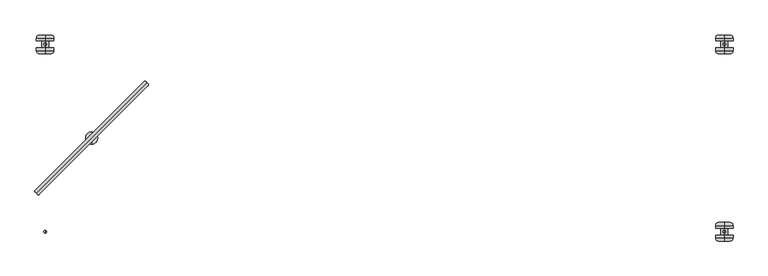
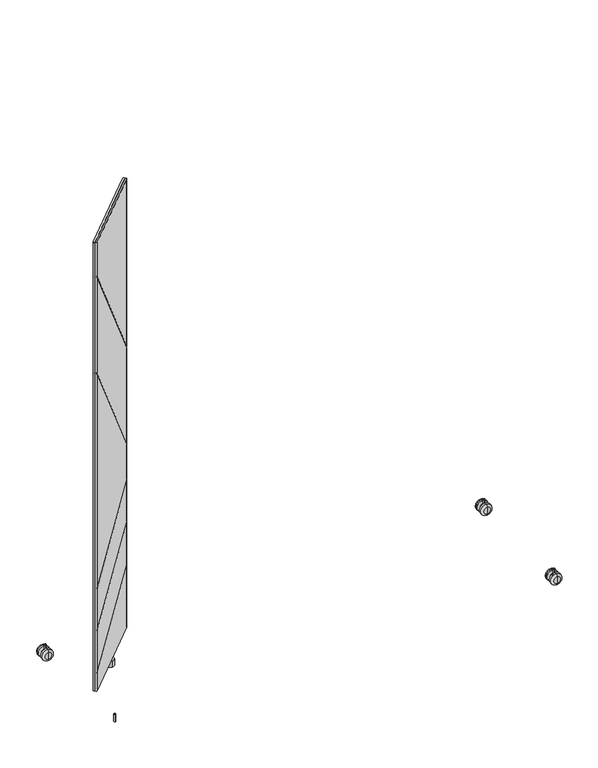
"""IFC4 building model written with IfcOpenShell, lengths in millimetres: furniture geometry."""

from ifc_helpers import new_model, si_unit, point, frame, origin, place, context, project, spatial, circle_curve, ellipse_curve, trimmed, source, transform, mapped, element, save
from ifc_brep_helpers import plane_surface, cylinder_surface, revolved_surface, advanced_brep


def furniture_226b77b0(model_context):
    return source(origin(), model_context, "Body", "AdvancedBrep", [
        advanced_brep(
        [(-710.9194656, -183.0476726, 1580.8579983), (-488.9555853, 39.0094149, 1580.8579983), (-493.1712839, 43.2234083, 1580.8579983), (-715.18304, -178.7849606, 1580.8579983), (-710.9194656, -183.0476726, 80.7339983), (-715.18304, -178.7849606, 80.7339983), (-493.1712839, 43.2234083, 80.7339983), (-488.9555853, 39.0094149, 80.7339983), (-715.18304, -178.7849606, 1465.6098628), (-715.6869022, -182.380027, 1469.7173437), (-715.6869022, -182.380027, 1464.166375), (-715.18304, -178.7849606, 1460.0588941), (-715.18304, -178.7849606, 1141.5813803), (-715.6869022, -182.380027, 1145.6879231), (-715.6869022, -182.380027, 1140.1378008), (-715.18304, -178.7849606, 1136.031258), (-715.18304, -178.7849606, 427.6020429), (-715.6869022, -182.380027, 426.2337165), (-715.6869022, -182.380027, 422.694591), (-715.18304, -178.7849606, 424.0629174), (-715.18304, -178.7849606, 287.4388163), (-715.6869022, -182.380027, 286.0703439), (-715.6869022, -182.380027, 282.5311496), (-715.18304, -178.7849606, 283.899622), (-715.18304, -178.7849606, 147.2371613), (-715.6869022, -182.380027, 145.8687302), (-715.6869022, -182.380027, 142.3295554), (-715.18304, -178.7849606, 143.6979865), (-493.1712839, 43.2234083, 1020.6632991), (-493.1712839, 43.2234083, 291.9345147), (-493.1712839, 43.2234083, 1015.1123304), (-493.1712839, 43.2234083, 696.7364411), (-493.1712839, 43.2234083, 691.1863188), (-493.1712839, 43.2234083, 575.8272317), (-493.1712839, 43.2234083, 572.2881062), (-493.1712839, 43.2234083, 435.6798128), (-493.1712839, 43.2234083, 432.1406185), (-493.1712839, 43.2234083, 295.4736895), (-489.6477388, 43.6591364, 293.2563217), (-489.6477388, 43.6591364, 296.7954965), (-489.6477388, 43.6591364, 433.4624654), (-489.6477388, 43.6591364, 437.0016597), (-489.6477388, 43.6591364, 573.6098121), (-489.6477388, 43.6591364, 577.1489377), (-489.6477388, 43.6591364, 687.2196908), (-489.6477388, 43.6591364, 692.7698131), (-489.6477388, 43.6591364, 1011.1447962), (-489.6477388, 43.6591364, 1016.6957649)],
        [
            (0, 1),
            (1, 2, circle_curve(frame((-491.1155655, 41.0642596, 1580.8579983), z_axis=(0.0, 0.0, 1.0), x_axis=(0.6892541380737184, 0.724519656840486, 0.0)), 2.9812584)),
            (2, 3),
            (3, 0, circle_curve(frame((-713.0514846, -180.9165485, 1580.8579983), z_axis=(0.0, 0.0, 1.0), x_axis=(-0.7071121751659861, -0.7071013871659622, 0.0)), 3.0144975)),
            (4, 5, circle_curve(frame((-713.0514846, -180.9165485, 80.7339983), z_axis=(0.0, 0.0, -1.0), x_axis=(-0.7071121751659861, -0.7071013871659622, 0.0)), 3.0144975)),
            (5, 6),
            (6, 7, circle_curve(frame((-491.1155655, 41.0642596, 80.7339983), z_axis=(0.0, 0.0, -1.0), x_axis=(0.6892541380737184, 0.724519656840486, 0.0)), 2.9812584)),
            (7, 4),
            (3, 8),
            (8, 9, ellipse_curve(frame((-713.0514846, -180.9165485, 1465.6098953), z_axis=(0.577750975804524, 0.5777509758045234, 0.576548020475174), x_axis=(-0.40768101495767617, -0.4076810149576757, 0.817063265657047)), 5.2285281, 3.0144975)),
            (9, 10),
            (10, 11, ellipse_curve(frame((-713.0514846, -180.9165485, 1460.0589267), z_axis=(-0.577750975804524, -0.5777509758045234, -0.576548020475174), x_axis=(-0.40768101495767617, -0.4076810149576757, 0.817063265657047)), 5.2285281, 3.0144975)),
            (11, 12),
            (12, 13, ellipse_curve(frame((-713.0514846, -180.9165485, 1141.5814129), z_axis=(0.5777071023563686, 0.577707102356368, 0.576635940411294), x_axis=(-0.4077431837407081, -0.4077431837407078, 0.8170012192316377)), 5.2277309, 3.0144975)),
            (13, 14),
            (14, 15, ellipse_curve(frame((-713.0514846, -180.9165485, 1136.0312905), z_axis=(-0.5777071023563686, -0.5777071023563679, -0.5766359404112942), x_axis=(-0.40774318374070834, -0.40774318374070784, 0.8170012192316375)), 5.2277309, 3.0144975)),
            (15, 16),
            (16, 17, ellipse_curve(frame((-713.0514846, -180.9165485, 427.6020321), z_axis=(-0.3018753516577264, -0.3018753516577261, 0.9042911832607062), x_axis=(0.6394304278508526, 0.6394304278508519, 0.42691621646050404)), 3.3335474, 3.0144975)),
            (17, 18),
            (18, 19, ellipse_curve(frame((-713.0514846, -180.9165485, 424.0629066), z_axis=(0.3018753516577265, 0.30187535165772633, -0.9042911832607061), x_axis=(0.6394304278508526, 0.6394304278508522, 0.4269162164605042)), 3.3335474, 3.0144975)),
            (19, 20),
            (20, 21, ellipse_curve(frame((-713.0514846, -180.9165485, 287.4388054), z_axis=(-0.3019016772725295, -0.3019016772725292, 0.9042736060065379), x_axis=(0.6394179988552356, 0.6394179988552351, 0.4269534465019956)), 3.3336122, 3.0144975)),
            (21, 22),
            (22, 23, ellipse_curve(frame((-713.0514846, -180.9165485, 283.8996111), z_axis=(0.3019016772725295, 0.30190167727252887, -0.9042736060065379), x_axis=(0.639417998855236, 0.6394179988552348, 0.42695344650199585)), 3.3336122, 3.0144975)),
            (23, 24),
            (24, 25, ellipse_curve(frame((-713.0514846, -180.9165485, 147.2371505), z_axis=(-0.30189423598003035, -0.30189423598003007, 0.9042785746461471), x_axis=(0.6394215122139965, 0.6394215122139959, 0.4269429229252227)), 3.3335939, 3.0144975)),
            (25, 26),
            (26, 27, ellipse_curve(frame((-713.0514846, -180.9165485, 143.6979756), z_axis=(0.30189423598002996, 0.3018942359800298, -0.9042785746461475), x_axis=(0.6394215122139967, 0.6394215122139962, 0.4269429229252216)), 3.3335939, 3.0144975)),
            (27, 5),
            (4, 0),
            (2, 28),
            (28, 8),
            (27, 29),
            (29, 6),
            (11, 30),
            (30, 31),
            (31, 12),
            (15, 32),
            (32, 33),
            (33, 16),
            (19, 34),
            (34, 35),
            (35, 20),
            (23, 36),
            (36, 37),
            (37, 24),
            (1, 7),
            (29, 38, ellipse_curve(frame((-491.1155655, 41.0642596, 291.8999843), z_axis=(0.30189423598002996, 0.3018942359800298, -0.9042785746461475), x_axis=(0.6394215122139967, 0.6394215122139962, 0.4269429229252216)), 3.2968362, 2.9812584)),
            (38, 39),
            (39, 37, ellipse_curve(frame((-491.1155655, 41.0642596, 295.4391592), z_axis=(-0.30189423598003035, -0.30189423598003007, 0.9042785746461471), x_axis=(0.6394215122139965, 0.6394215122139959, 0.4269429229252227)), 3.2968362, 2.9812584)),
            (36, 40, ellipse_curve(frame((-491.1155655, 41.0642596, 432.1060871), z_axis=(0.3019016772725295, 0.30190167727252887, -0.9042736060065379), x_axis=(0.639417998855236, 0.6394179988552348, 0.42695344650199585)), 3.2968543, 2.9812584)),
            (40, 41),
            (41, 35, ellipse_curve(frame((-491.1155655, 41.0642596, 435.6452814), z_axis=(-0.3019016772725295, -0.3019016772725292, 0.9042736060065379), x_axis=(0.6394179988552356, 0.6394179988552351, 0.4269534465019956)), 3.2968543, 2.9812584)),
            (34, 42, ellipse_curve(frame((-491.1155655, 41.0642596, 572.2535785), z_axis=(0.3018753516577265, 0.30187535165772633, -0.9042911832607061), x_axis=(0.6394304278508526, 0.6394304278508522, 0.4269162164605042)), 3.2967902, 2.9812584)),
            (42, 43),
            (43, 33, ellipse_curve(frame((-491.1155655, 41.0642596, 575.7927041), z_axis=(-0.3018753516577264, -0.3018753516577261, 0.9042911832607062), x_axis=(0.6394304278508526, 0.6394304278508519, 0.42691621646050404)), 3.2967902, 2.9812584)),
            (32, 44, ellipse_curve(frame((-491.1155655, 41.0642596, 691.2899413), z_axis=(-0.5777071023563686, -0.5777071023563679, -0.5766359404112942), x_axis=(-0.40774318374070834, -0.40774318374070784, 0.8170012192316375)), 5.1700876, 2.9812584)),
            (44, 45),
            (45, 31, ellipse_curve(frame((-491.1155655, 41.0642596, 696.8400637), z_axis=(0.5777071023563686, 0.577707102356368, 0.576635940411294), x_axis=(-0.4077431837407081, -0.4077431837407078, 0.8170012192316377)), 5.1700876, 2.9812584)),
            (30, 46, ellipse_curve(frame((-491.1155655, 41.0642596, 1015.2159766), z_axis=(-0.577750975804524, -0.5777509758045234, -0.576548020475174), x_axis=(-0.40768101495767617, -0.4076810149576757, 0.817063265657047)), 5.1708761, 2.9812584)),
            (46, 47),
            (47, 28, ellipse_curve(frame((-491.1155655, 41.0642596, 1020.7669453), z_axis=(0.577750975804524, 0.5777509758045234, 0.576548020475174), x_axis=(-0.40768101495767617, -0.4076810149576757, 0.817063265657047)), 5.1708761, 2.9812584)),
            (46, 10),
            (9, 47),
            (44, 14),
            (13, 45),
            (17, 43),
            (42, 18),
            (40, 22),
            (21, 41),
            (38, 26),
            (25, 39),
        ],
        [
            plane_surface(frame((-602.0573437, -69.8999525, 1580.8579983), z_axis=(0.0, 0.0, 1.0000000000000002), x_axis=(0.7069583324882522, 0.7072551987263367, 0.0))),
            plane_surface(frame((-602.0573437, -69.8999525, 80.7339983), z_axis=(0.0, 0.0, -1.0000000000000002), x_axis=(0.7069583324882522, 0.7072551987263367, 0.0))),
            cylinder_surface(frame((-713.0514846, -180.9165485, 80.7339983), z_axis=(0.0, 0.0, 1.0), x_axis=(-0.7071121751659861, -0.7071013871659622, 0.0)), 3.0144975),
            plane_surface(frame((-604.1771619, -67.7807761, 80.7339983), z_axis=(-0.7071013871659615, 0.7071121751659868, 0.0), x_axis=(-0.7071121751659868, -0.7071013871659615, 0.0))),
            cylinder_surface(frame((-491.1155655, 41.0642596, 80.7339983), z_axis=(0.0, 0.0, 1.0), x_axis=(0.6892541380737184, 0.724519656840486, 0.0)), 2.9812584),
            plane_surface(frame((-599.9375254, -72.0191288, 80.7339983), z_axis=(0.7072551987263367, -0.7069583324882522, 0.0), x_axis=(0.7069583324882522, 0.7072551987263367, 0.0))),
            plane_surface(frame((-475.2662544, 58.0406208, 1930.8164788), z_axis=(-0.7071067811865472, 0.707106781186548, 0.0), x_axis=(0.0, 0.0, 1.0))),
            plane_surface(frame((-749.6511346, -176.8311325, 1498.1919696), z_axis=(-0.577750975804524, -0.5777509758045234, -0.576548020475174), x_axis=(0.7071067811865472, -0.7071067811865479, 0.0))),
            plane_surface(frame((-495.0228179, 77.7971843, 982.3218141), z_axis=(0.577750975804524, 0.5777509758045234, 0.576548020475174), x_axis=(0.7071067811865472, -0.7071067811865479, 0.0))),
            plane_surface(frame((-749.6511346, -176.8311325, 1174.1560454), z_axis=(-0.5777071023563686, -0.577707102356368, -0.576635940411294), x_axis=(0.7071067811865472, -0.7071067811865479, 0.0))),
            plane_surface(frame((-495.0228179, 77.7971843, 658.4032918), z_axis=(0.5777071023563686, 0.5777071023563679, 0.5766359404112942), x_axis=(0.7071067811865471, -0.707106781186548, 0.0))),
            plane_surface(frame((-495.0228179, 77.7971843, 583.2116212), z_axis=(-0.3018753516577265, -0.30187535165772633, 0.9042911832607061), x_axis=(0.7071067811865474, -0.7071067811865477, 0.0))),
            plane_surface(frame((-749.6511346, -176.8311325, 416.7479554), z_axis=(0.30187535165772644, 0.30187535165772617, -0.9042911832607065), x_axis=(0.7071067811865472, -0.7071067811865479, 0.0))),
            plane_surface(frame((-749.6511346, -176.8311325, 276.5835712), z_axis=(0.3019016772725295, 0.3019016772725292, -0.9042736060065379), x_axis=(0.7071067811865472, -0.7071067811865479, 0.0))),
            plane_surface(frame((-495.0228179, 77.7971843, 443.0652984), z_axis=(-0.3019016772725295, -0.30190167727252887, 0.9042736060065379), x_axis=(0.7071067811865468, -0.7071067811865482, 0.0))),
            plane_surface(frame((-749.6511346, -176.8311325, 136.3822435), z_axis=(0.3018942359800304, 0.3018942359800301, -0.9042785746461474), x_axis=(0.7071067811865472, -0.7071067811865479, 0.0))),
            plane_surface(frame((-495.0228179, 77.7971843, 302.8588653), z_axis=(-0.30189423598002996, -0.3018942359800298, 0.9042785746461475), x_axis=(0.7071067811865474, -0.7071067811865477, 0.0))),
        ],
        [
            (0, [[1, 2, 3, 4]]),
            (1, [[5, 6, 7, 8]]),
            (2, [[-4, 9, 10, 11, 12, 13, 14, 15, 16, 17, 18, 19, 20, 21, 22, 23, 24, 25, 26, 27, 28, 29, -5, 30]]),
            (3, [[-3, 31, 32, -9]]),
            (3, [[-6, -29, 33, 34]]),
            (3, [[-13, 35, 36, 37]]),
            (3, [[-17, 38, 39, 40]]),
            (3, [[-21, 41, 42, 43]]),
            (3, [[-25, 44, 45, 46]]),
            (4, [[-2, 47, -7, -34, 48, 49, 50, -45, 51, 52, 53, -42, 54, 55, 56, -39, 57, 58, 59, -36, 60, 61, 62, -31]]),
            (5, [[-1, -30, -8, -47]]),
            (6, [[63, -11, 64, -61]]),
            (6, [[65, -15, 66, -58]]),
            (6, [[67, -55, 68, -19]]),
            (6, [[69, -23, 70, -52]]),
            (6, [[71, -27, 72, -49]]),
            (7, [[-64, -10, -32, -62]]),
            (8, [[-63, -60, -35, -12]]),
            (9, [[-66, -14, -37, -59]]),
            (10, [[-65, -57, -38, -16]]),
            (11, [[-68, -54, -41, -20]]),
            (12, [[-67, -18, -40, -56]]),
            (13, [[-70, -22, -43, -53]]),
            (14, [[-69, -51, -44, -24]]),
            (15, [[-72, -26, -46, -50]]),
            (16, [[-71, -48, -33, -28]]),
        ],
    ),
        advanced_brep(
        [(-710.9587734, -183.0083649, 1580.8579983), (-706.6960613, -187.2719392, 1580.8579983), (-484.6876924, 34.7398168, 1580.8579983), (-488.9016858, 38.9555155, 1580.8579983), (-710.9587733, -183.0083649, 80.7339983), (-488.9016858, 38.9555155, 80.7339983), (-484.6876924, 34.7398168, 80.7339983), (-706.6960613, -187.2719392, 80.7339983), (-706.6960613, -187.2719392, 143.6979865), (-710.2911277, -187.7758015, 142.3295554), (-710.2911277, -187.7758015, 145.8687302), (-706.6960613, -187.2719392, 147.2371613), (-706.6960613, -187.2719392, 283.899622), (-710.2911277, -187.7758015, 282.5311496), (-710.2911277, -187.7758015, 286.0703439), (-706.6960613, -187.2719392, 287.4388163), (-706.6960613, -187.2719392, 424.0629174), (-710.2911277, -187.7758015, 422.694591), (-710.2911277, -187.7758015, 426.2337165), (-706.6960613, -187.2719392, 427.6020429), (-706.6960613, -187.2719392, 1136.031258), (-710.2911277, -187.7758015, 1140.1378008), (-710.2911277, -187.7758015, 1145.6879231), (-706.6960613, -187.2719392, 1141.5813803), (-706.6960613, -187.2719392, 1460.0588941), (-710.2911277, -187.7758015, 1464.166375), (-710.2911277, -187.7758015, 1469.7173437), (-706.6960613, -187.2719392, 1465.6098628), (-484.6876924, 34.7398168, 295.4736895), (-484.6876924, 34.7398168, 432.1406185), (-484.6876924, 34.7398168, 435.6798128), (-484.6876924, 34.7398168, 572.2881062), (-484.6876924, 34.7398168, 575.8272317), (-484.6876924, 34.7398168, 691.1863188), (-484.6876924, 34.7398168, 696.7364411), (-484.6876924, 34.7398168, 1015.1123304), (-484.6876924, 34.7398168, 1020.6632991), (-484.6876924, 34.7398168, 291.9345147), (-484.2519643, 38.263362, 1016.6957649), (-484.2519643, 38.263362, 1011.1447962), (-484.2519643, 38.263362, 692.7698131), (-484.2519643, 38.263362, 687.2196908), (-484.2519643, 38.263362, 577.1489377), (-484.2519643, 38.263362, 573.6098121), (-484.2519643, 38.263362, 437.0016597), (-484.2519643, 38.263362, 433.4624654), (-484.2519643, 38.263362, 296.7954965), (-484.2519643, 38.263362, 293.2563217)],
        [
            (0, 1, circle_curve(frame((-708.8276492, -185.1403839, 1580.8579983), z_axis=(0.0, 0.0, 1.0), x_axis=(-0.7072551987263337, -0.7069583324882551, 0.0)), 3.0144975)),
            (1, 2),
            (2, 3, circle_curve(frame((-486.8468411, 36.7955352, 1580.8579983), z_axis=(0.0, 0.0, 1.0), x_axis=(0.6895472047235311, 0.7242407420588576, 0.0)), 2.9812584)),
            (3, 0),
            (4, 5),
            (5, 6, circle_curve(frame((-486.8468411, 36.7955352, 80.7339983), z_axis=(0.0, 0.0, -1.0), x_axis=(0.6895472047235311, 0.7242407420588576, 0.0)), 2.9812584)),
            (6, 7),
            (7, 4, circle_curve(frame((-708.8276492, -185.1403839, 80.7339983), z_axis=(0.0, 0.0, -1.0), x_axis=(-0.7072551987263337, -0.7069583324882551, 0.0)), 3.0144975)),
            (0, 4),
            (7, 8),
            (8, 9, ellipse_curve(frame((-708.8276492, -185.1403839, 143.6979756), z_axis=(0.3018942359800301, 0.3018942359800296, -0.9042785746461475), x_axis=(0.6394215122139969, 0.6394215122139959, 0.4269429229252216)), 3.3335939, 3.0144975)),
            (9, 10),
            (10, 11, ellipse_curve(frame((-708.8276492, -185.1403839, 147.2371505), z_axis=(-0.30189423598003046, -0.3018942359800299, 0.9042785746461472), x_axis=(0.639421512213997, 0.6394215122139958, 0.42694292292522235)), 3.3335939, 3.0144975)),
            (11, 12),
            (12, 13, ellipse_curve(frame((-708.8276492, -185.1403839, 283.8996111), z_axis=(0.3019016772725294, 0.3019016772725289, -0.9042736060065379), x_axis=(0.6394179988552359, 0.6394179988552348, 0.4269534465019958)), 3.3336122, 3.0144975)),
            (13, 14),
            (14, 15, ellipse_curve(frame((-708.8276492, -185.1403839, 287.4388054), z_axis=(-0.30190167727252964, -0.3019016772725291, 0.9042736060065377), x_axis=(0.6394179988552356, 0.6394179988552345, 0.42695344650199624)), 3.3336122, 3.0144975)),
            (15, 16),
            (16, 17, ellipse_curve(frame((-708.8276492, -185.1403839, 424.0629066), z_axis=(0.3018753516577267, 0.3018753516577262, -0.9042911832607062), x_axis=(0.6394304278508529, 0.6394304278508518, 0.42691621646050376)), 3.3335474, 3.0144975)),
            (17, 18),
            (18, 19, ellipse_curve(frame((-708.8276492, -185.1403839, 427.6020321), z_axis=(-0.3018753516577265, -0.30187535165772594, 0.9042911832607062), x_axis=(0.6394304278508529, 0.6394304278508517, 0.42691621646050404)), 3.3335474, 3.0144975)),
            (19, 20),
            (20, 21, ellipse_curve(frame((-708.8276492, -185.1403839, 1136.0312905), z_axis=(-0.5777071023563687, -0.5777071023563677, -0.5766359404112942), x_axis=(-0.40774318374070845, -0.4077431837407077, 0.8170012192316376)), 5.2277309, 3.0144975)),
            (21, 22),
            (22, 23, ellipse_curve(frame((-708.8276492, -185.1403839, 1141.5814129), z_axis=(0.5777071023563689, 0.5777071023563678, 0.576635940411294), x_axis=(-0.4077431837407084, -0.40774318374070756, 0.8170012192316377)), 5.2277309, 3.0144975)),
            (23, 24),
            (24, 25, ellipse_curve(frame((-708.8276492, -185.1403839, 1460.0589267), z_axis=(-0.5777509758045232, -0.5777509758045242, -0.5765480204751738), x_axis=(-0.40768101495767556, -0.4076810149576762, 0.8170632656570472)), 5.2285281, 3.0144975)),
            (25, 26),
            (26, 27, ellipse_curve(frame((-708.8276492, -185.1403839, 1465.6098953), z_axis=(0.5777509758045243, 0.5777509758045233, 0.5765480204751738), x_axis=(-0.4076810149576763, -0.4076810149576756, 0.8170632656570472)), 5.2285281, 3.0144975)),
            (27, 1),
            (11, 28),
            (28, 29),
            (29, 12),
            (15, 30),
            (30, 31),
            (31, 16),
            (19, 32),
            (32, 33),
            (33, 20),
            (23, 34),
            (34, 35),
            (35, 24),
            (27, 36),
            (36, 2),
            (6, 37),
            (37, 8),
            (36, 38, ellipse_curve(frame((-486.8468411, 36.7955352, 1020.7669453), z_axis=(0.5777509758045243, 0.5777509758045233, 0.5765480204751738), x_axis=(-0.4076810149576763, -0.4076810149576756, 0.8170632656570472)), 5.1708761, 2.9812584)),
            (38, 39),
            (39, 35, ellipse_curve(frame((-486.8468411, 36.7955352, 1015.2159766), z_axis=(-0.5777509758045232, -0.5777509758045242, -0.5765480204751738), x_axis=(-0.40768101495767556, -0.4076810149576762, 0.8170632656570472)), 5.1708761, 2.9812584)),
            (34, 40, ellipse_curve(frame((-486.8468411, 36.7955352, 696.8400637), z_axis=(0.5777071023563689, 0.5777071023563678, 0.576635940411294), x_axis=(-0.4077431837407084, -0.40774318374070756, 0.8170012192316377)), 5.1700876, 2.9812584)),
            (40, 41),
            (41, 33, ellipse_curve(frame((-486.8468411, 36.7955352, 691.2899413), z_axis=(-0.5777071023563687, -0.5777071023563677, -0.5766359404112942), x_axis=(-0.40774318374070845, -0.4077431837407077, 0.8170012192316376)), 5.1700876, 2.9812584)),
            (32, 42, ellipse_curve(frame((-486.8468411, 36.7955352, 575.7927041), z_axis=(-0.3018753516577265, -0.30187535165772594, 0.9042911832607062), x_axis=(0.6394304278508529, 0.6394304278508517, 0.42691621646050404)), 3.2967902, 2.9812584)),
            (42, 43),
            (43, 31, ellipse_curve(frame((-486.8468411, 36.7955352, 572.2535785), z_axis=(0.3018753516577267, 0.3018753516577262, -0.9042911832607062), x_axis=(0.6394304278508529, 0.6394304278508518, 0.42691621646050376)), 3.2967902, 2.9812584)),
            (30, 44, ellipse_curve(frame((-486.8468411, 36.7955352, 435.6452814), z_axis=(-0.30190167727252964, -0.3019016772725291, 0.9042736060065377), x_axis=(0.6394179988552356, 0.6394179988552345, 0.42695344650199624)), 3.2968543, 2.9812584)),
            (44, 45),
            (45, 29, ellipse_curve(frame((-486.8468411, 36.7955352, 432.1060871), z_axis=(0.3019016772725294, 0.3019016772725289, -0.9042736060065379), x_axis=(0.6394179988552359, 0.6394179988552348, 0.4269534465019958)), 3.2968543, 2.9812584)),
            (28, 46, ellipse_curve(frame((-486.8468411, 36.7955352, 295.4391592), z_axis=(-0.30189423598003046, -0.3018942359800299, 0.9042785746461472), x_axis=(0.639421512213997, 0.6394215122139958, 0.42694292292522235)), 3.2968362, 2.9812584)),
            (46, 47),
            (47, 37, ellipse_curve(frame((-486.8468411, 36.7955352, 291.8999843), z_axis=(0.3018942359800301, 0.3018942359800296, -0.9042785746461475), x_axis=(0.6394215122139969, 0.6394215122139959, 0.4269429229252216)), 3.2968362, 2.9812584)),
            (5, 3),
            (38, 26),
            (25, 39),
            (40, 22),
            (21, 41),
            (17, 43),
            (42, 18),
            (44, 14),
            (13, 45),
            (46, 10),
            (9, 47),
        ],
        [
            plane_surface(frame((-597.8110532, -74.146243, 1580.8579983), z_axis=(0.0, 0.0, 1.0000000000000002), x_axis=(-0.7072551987263422, -0.7069583324882467, 0.0))),
            plane_surface(frame((-597.8110532, -74.146243, 80.7339983), z_axis=(0.0, 0.0, -1.0000000000000002), x_axis=(-0.7072551987263422, -0.7069583324882467, 0.0))),
            cylinder_surface(frame((-708.8276492, -185.1403839, 80.7339983), z_axis=(0.0, 0.0, 1.0), x_axis=(-0.7072551987263337, -0.7069583324882551, 0.0)), 3.0144975),
            plane_surface(frame((-595.6918769, -76.2660612, 80.7339983), z_axis=(0.7071121751659858, -0.7071013871659624, 0.0), x_axis=(0.7071013871659624, 0.7071121751659858, 0.0))),
            cylinder_surface(frame((-486.8468411, 36.7955352, 80.7339983), z_axis=(0.0, 0.0, 1.0), x_axis=(0.6895472047235311, 0.7242407420588576, 0.0)), 2.9812584),
            plane_surface(frame((-599.9302295, -72.0264247, 80.7339983), z_axis=(-0.7069583324882512, 0.7072551987263376, 0.0), x_axis=(-0.7072551987263376, -0.7069583324882512, 0.0))),
            plane_surface(frame((-499.1694464, 23.3458798, 1046.5929792), z_axis=(0.7071067811865471, -0.7071067811865481, 0.0), x_axis=(0.40768101495767617, 0.40768101495767556, -0.8170632656570473))),
            plane_surface(frame((-450.1139164, 32.8882829, 987.8727828), z_axis=(-0.5777509758045242, -0.5777509758045232, -0.5765480204751737), x_axis=(-0.7071067811865469, 0.7071067811865481, 0.0))),
            plane_surface(frame((-704.7422332, -221.7400339, 1492.6410009), z_axis=(0.5777509758045232, 0.5777509758045242, 0.5765480204751738), x_axis=(-0.7071067811865481, 0.7071067811865469, 0.0))),
            plane_surface(frame((-450.1139164, 32.8882829, 663.9534141), z_axis=(-0.5777071023563689, -0.5777071023563678, -0.576635940411294), x_axis=(-0.7071067811865469, 0.7071067811865482, 0.0))),
            plane_surface(frame((-704.7422332, -221.7400339, 1168.6059231), z_axis=(0.5777071023563687, 0.5777071023563677, 0.5766359404112942), x_axis=(-0.7071067811865469, 0.7071067811865481, 0.0))),
            plane_surface(frame((-704.7422332, -221.7400339, 413.2088299), z_axis=(-0.3018753516577267, -0.3018753516577262, 0.9042911832607062), x_axis=(-0.7071067811865469, 0.7071067811865481, 0.0))),
            plane_surface(frame((-450.1139164, 32.8882829, 586.7507468), z_axis=(0.30187535165772655, 0.301875351657726, -0.9042911832607065), x_axis=(-0.7071067811865469, 0.7071067811865482, 0.0))),
            plane_surface(frame((-450.1139164, 32.8882829, 446.6044928), z_axis=(0.3019016772725297, 0.30190167727252915, -0.9042736060065379), x_axis=(-0.7071067811865469, 0.7071067811865482, 0.0))),
            plane_surface(frame((-704.7422332, -221.7400339, 273.0443769), z_axis=(-0.3019016772725294, -0.3019016772725289, 0.9042736060065379), x_axis=(-0.7071067811865469, 0.7071067811865481, 0.0))),
            plane_surface(frame((-450.1139164, 32.8882829, 306.3980402), z_axis=(0.3018942359800305, 0.30189423598002996, -0.9042785746461475), x_axis=(-0.7071067811865469, 0.7071067811865482, 0.0))),
            plane_surface(frame((-704.7422332, -221.7400339, 132.8430686), z_axis=(-0.3018942359800301, -0.3018942359800296, 0.9042785746461475), x_axis=(-0.7071067811865469, 0.7071067811865481, 0.0))),
        ],
        [
            (0, [[1, 2, 3, 4]]),
            (1, [[5, 6, 7, 8]]),
            (2, [[-1, 9, -8, 10, 11, 12, 13, 14, 15, 16, 17, 18, 19, 20, 21, 22, 23, 24, 25, 26, 27, 28, 29, 30]]),
            (3, [[-14, 31, 32, 33]]),
            (3, [[-18, 34, 35, 36]]),
            (3, [[-22, 37, 38, 39]]),
            (3, [[-26, 40, 41, 42]]),
            (3, [[-2, -30, 43, 44]]),
            (3, [[-7, 45, 46, -10]]),
            (4, [[-3, -44, 47, 48, 49, -41, 50, 51, 52, -38, 53, 54, 55, -35, 56, 57, 58, -32, 59, 60, 61, -45, -6, 62]]),
            (5, [[-4, -62, -5, -9]]),
            (6, [[63, -28, 64, -48]]),
            (6, [[65, -24, 66, -51]]),
            (6, [[67, -54, 68, -20]]),
            (6, [[69, -16, 70, -57]]),
            (6, [[71, -12, 72, -60]]),
            (7, [[-63, -47, -43, -29]]),
            (8, [[-64, -27, -42, -49]]),
            (9, [[-65, -50, -40, -25]]),
            (10, [[-66, -23, -39, -52]]),
            (11, [[-67, -19, -36, -55]]),
            (12, [[-68, -53, -37, -21]]),
            (13, [[-69, -56, -34, -17]]),
            (14, [[-70, -15, -33, -58]]),
            (15, [[-71, -59, -31, -13]]),
            (16, [[-72, -11, -46, -61]]),
        ],
    ),
        advanced_brep(
        [(-599.9988, -84.5709522, 80.7339983), (-599.9988, -59.5748171, 80.7339983), (-599.9988, -59.5748171, 59.9975986), (-599.9988, -84.5709522, 59.9975986), (-599.9988, -72.0728847, 80.7339983), (-599.9988, -72.0728847, 59.9975986)],
        [
            (0, 1, circle_curve(frame((-599.9988, -72.0728847, 80.7339983), z_axis=(0.0, 0.0, -1.0), x_axis=(0.0, 1.0, 0.0)), 12.4980675)),
            (1, 2),
            (2, 3, circle_curve(frame((-599.9988, -72.0728847, 59.9975986), z_axis=(0.0, 0.0, 1.0), x_axis=(0.0, 1.0, 0.0)), 12.4980675)),
            (3, 0),
            (4, 1),
            (0, 4),
            (0, 1, circle_curve(frame((-599.9988, -72.0728847, 80.7339983), z_axis=(0.0, 0.0, 1.0), x_axis=(0.0, 1.0, 0.0)), 12.4980675)),
            (2, 5),
            (5, 3),
            (2, 3, circle_curve(frame((-599.9988, -72.0728847, 59.9975986), z_axis=(0.0, 0.0, -1.0), x_axis=(0.0, 1.0, 0.0)), 12.4980675)),
        ],
        [
            cylinder_surface(frame((-599.9988, -72.0728847, 88.2747758), z_axis=(0.0, 0.0, 1.0), x_axis=(0.0, 1.0, 0.0)), 12.4980675),
            plane_surface(frame((-599.9988, -72.0728847, 80.7339983), z_axis=(0.0, 0.0, 1.0), x_axis=(0.0, 1.0, 0.0))),
            plane_surface(frame((-599.9988, -72.0728847, 59.9975986), z_axis=(0.0, 0.0, -1.0), x_axis=(0.0, 1.0, 0.0))),
        ],
        [
            (0, [[1, 2, 3, 4]]),
            (1, [[5, -1, 6]]),
            (1, [[-6, 7, -5]]),
            (2, [[-3, 8, 9]]),
            (2, [[10, -9, -8]]),
            (0, [[-7, -4, -10, -2]]),
        ],
    ),
        advanced_brep(
        [(695.0057698, -263.8998204, 45.0000013), (695.0057698, -261.16856, 45.0000013), (695.0057698, -266.6310808, 45.0000013), (695.0057698, -266.6310808, 20.9698569), (695.0057698, -261.16856, 20.9698569), (695.0057698, -263.8998204, 20.9698569)],
        [
            (0, 1),
            (1, 2, circle_curve(frame((695.0057698, -263.8998204, 45.0000013), z_axis=(0.0, 0.0, 1.0), x_axis=(0.0, 1.0, 0.0)), 2.7312604)),
            (2, 0),
            (2, 1, circle_curve(frame((695.0057698, -263.8998204, 45.0000013), z_axis=(0.0, 0.0, 1.0), x_axis=(0.0, 1.0, 0.0)), 2.7312604)),
            (3, 4, circle_curve(frame((695.0057698, -263.8998204, 20.9698569), z_axis=(0.0, 0.0, -1.0), x_axis=(0.0, 1.0, 0.0)), 2.7312604)),
            (4, 5),
            (5, 3),
            (4, 3, circle_curve(frame((695.0057698, -263.8998204, 20.9698569), z_axis=(0.0, 0.0, -1.0), x_axis=(0.0, 1.0, 0.0)), 2.7312604)),
            (1, 4),
            (3, 2),
        ],
        [
            plane_surface(frame((695.0057698, -263.8998204, 45.0000013), z_axis=(0.0, 0.0, 1.0), x_axis=(0.0, 1.0, 0.0))),
            plane_surface(frame((695.0057698, -263.8998204, 20.9698569), z_axis=(0.0, 0.0, -1.0), x_axis=(0.0, 1.0, 0.0))),
            cylinder_surface(frame((695.0057698, -263.8998204, 53.5051757), z_axis=(0.0, 0.0, 1.0), x_axis=(0.0, 1.0, 0.0)), 2.7312604),
        ],
        [
            (0, [[1, 2, 3]]),
            (0, [[-3, 4, -1]]),
            (1, [[5, 6, 7]]),
            (1, [[8, -7, -6]]),
            (2, [[-2, 9, -5, 10]]),
            (2, [[-4, -10, -8, -9]]),
        ],
    ),
        advanced_brep(
        [(695.0057698, -244.8998219, 6.35), (695.0057698, -244.8998219, 29.650001), (695.0057698, -244.8998219, 18.0000005), (695.0057698, -251.2498219, 0.0), (695.0057698, -251.2498219, 36.000001), (695.0057698, -256.8998207, 0.0), (695.0057698, -256.8998207, 36.000001), (695.0057698, -256.8998207, 11.0000008), (695.0057698, -256.8998207, 25.0000002), (695.0057698, -270.8998246, 11.0000008), (695.0057698, -270.8998246, 25.0000002), (695.0057698, -270.8998246, 0.0), (695.0057698, -270.8998246, 36.000001), (695.0057698, -276.5498189, 0.0), (695.0057698, -276.5498189, 36.000001), (695.0057698, -282.8998189, 6.35), (695.0057698, -282.8998189, 29.650001), (695.0057698, -282.8998189, 18.0000005)],
        [
            (0, 1, circle_curve(frame((695.0057698, -244.8998219, 18.0000005), z_axis=(0.0, 1.0, 0.0), x_axis=(0.0, 0.0, 1.0)), 11.6500005)),
            (1, 2),
            (2, 0),
            (1, 0, circle_curve(frame((695.0057698, -244.8998219, 18.0000005), z_axis=(0.0, 1.0, 0.0), x_axis=(0.0, 0.0, 1.0)), 11.6500005)),
            (3, 4, circle_curve(frame((695.0057698, -251.2498219, 18.0000005), z_axis=(0.0, 1.0, 0.0), x_axis=(0.0, 0.0, 1.0)), 18.0000005)),
            (4, 1, circle_curve(frame((695.0057698, -251.2498219, 29.650001), z_axis=(-1.0, 0.0, 0.0), x_axis=(0.0, 1.0, 0.0)), 6.35)),
            (0, 3, circle_curve(frame((695.0057698, -251.2498219, 6.35), z_axis=(-1.0, 0.0, 0.0), x_axis=(0.0, 1.0, 0.0)), 6.35)),
            (4, 3, circle_curve(frame((695.0057698, -251.2498219, 18.0000005), z_axis=(0.0, 1.0, 0.0), x_axis=(0.0, 0.0, 1.0)), 18.0000005)),
            (5, 6, circle_curve(frame((695.0057698, -256.8998207, 18.0000005), z_axis=(0.0, 1.0, 0.0), x_axis=(0.0, 0.0, 1.0)), 18.0000005)),
            (6, 4),
            (3, 5),
            (6, 5, circle_curve(frame((695.0057698, -256.8998207, 18.0000005), z_axis=(0.0, 1.0, 0.0), x_axis=(0.0, 0.0, 1.0)), 18.0000005)),
            (7, 8, circle_curve(frame((695.0057698, -256.8998207, 18.0000005), z_axis=(0.0, 1.0, 0.0), x_axis=(0.0, 0.0, 1.0)), 6.9999997)),
            (8, 6),
            (5, 7),
            (8, 7, circle_curve(frame((695.0057698, -256.8998207, 18.0000005), z_axis=(0.0, 1.0, 0.0), x_axis=(0.0, 0.0, 1.0)), 6.9999997)),
            (9, 10, circle_curve(frame((695.0057698, -270.8998246, 18.0000005), z_axis=(0.0, 1.0, 0.0), x_axis=(0.0, 0.0, 1.0)), 6.9999997)),
            (10, 8),
            (7, 9),
            (10, 9, circle_curve(frame((695.0057698, -270.8998246, 18.0000005), z_axis=(0.0, 1.0, 0.0), x_axis=(0.0, 0.0, 1.0)), 6.9999997)),
            (11, 12, circle_curve(frame((695.0057698, -270.8998246, 18.0000005), z_axis=(0.0, 1.0, 0.0), x_axis=(0.0, 0.0, 1.0)), 18.0000005)),
            (12, 10),
            (9, 11),
            (12, 11, circle_curve(frame((695.0057698, -270.8998246, 18.0000005), z_axis=(0.0, 1.0, 0.0), x_axis=(0.0, 0.0, 1.0)), 18.0000005)),
            (13, 14, circle_curve(frame((695.0057698, -276.5498189, 18.0000005), z_axis=(0.0, 1.0, 0.0), x_axis=(0.0, 0.0, 1.0)), 18.0000005)),
            (14, 12),
            (11, 13),
            (14, 13, circle_curve(frame((695.0057698, -276.5498189, 18.0000005), z_axis=(0.0, 1.0, 0.0), x_axis=(0.0, 0.0, 1.0)), 18.0000005)),
            (15, 16, circle_curve(frame((695.0057698, -282.8998189, 18.0000005), z_axis=(0.0, 1.0, 0.0), x_axis=(0.0, 0.0, 1.0)), 11.6500005)),
            (16, 14, circle_curve(frame((695.0057698, -276.5498189, 29.650001), z_axis=(-1.0, 0.0, 0.0), x_axis=(0.0, 1.0, 0.0)), 6.35)),
            (13, 15, circle_curve(frame((695.0057698, -276.5498189, 6.35), z_axis=(-1.0, 0.0, 0.0), x_axis=(0.0, 1.0, 0.0)), 6.35)),
            (16, 15, circle_curve(frame((695.0057698, -282.8998189, 18.0000005), z_axis=(0.0, 1.0, 0.0), x_axis=(0.0, 0.0, 1.0)), 11.6500005)),
            (17, 16),
            (15, 17),
        ],
        [
            plane_surface(frame((695.0057698, -244.8998219, 18.0000005), z_axis=(0.0, 1.0, 0.0), x_axis=(0.0, 0.0, 1.0))),
            revolved_surface(trimmed(ellipse_curve(frame((695.0057698, -251.2498219, 29.650001), z_axis=(1.0, 0.0, 0.0), x_axis=(0.0, 1.0, 0.0)), 6.35, 6.35), [point((695.0057698, -244.8998219, 29.650001))], [point((695.0057698, -251.2498219, 36.000001))], True, "CARTESIAN"), (695.0057698, -320.9998189, 18.0000005), (0.0, -1.0, 0.0)),
            cylinder_surface(frame((695.0057698, -320.9998189, 18.0000005), z_axis=(0.0, -1.0, 0.0), x_axis=(0.0, 0.0, 1.0)), 18.0000005),
            plane_surface(frame((695.0057698, -256.8998207, 18.0000005), z_axis=(0.0, -1.0, 0.0), x_axis=(0.0, 0.0, 1.0))),
            cylinder_surface(frame((695.0057698, -320.9998189, 18.0000005), z_axis=(0.0, -1.0, 0.0), x_axis=(0.0, 0.0, 1.0)), 6.9999997),
            plane_surface(frame((695.0057698, -270.8998246, 18.0000005), z_axis=(0.0, 1.0, 0.0), x_axis=(0.0, 0.0, 1.0))),
            revolved_surface(trimmed(ellipse_curve(frame((695.0057698, -276.5498189, 29.650001), z_axis=(1.0, 0.0, 0.0), x_axis=(0.0, 1.0, 0.0)), 6.35, 6.35), [point((695.0057698, -276.5498189, 36.000001))], [point((695.0057698, -282.8998189, 29.650001))], True, "CARTESIAN"), (695.0057698, -320.9998189, 18.0000005), (0.0, -1.0, 0.0)),
            plane_surface(frame((695.0057698, -282.8998189, 18.0000005), z_axis=(0.0, -1.0, 0.0), x_axis=(0.0, 0.0, 1.0))),
        ],
        [
            (0, [[1, 2, 3]]),
            (0, [[4, -3, -2]]),
            (1, [[5, 6, -1, 7]]),
            (1, [[8, -7, -4, -6]]),
            (2, [[9, 10, -5, 11]]),
            (2, [[12, -11, -8, -10]]),
            (3, [[13, 14, -9, 15]]),
            (3, [[16, -15, -12, -14]]),
            (4, [[17, 18, -13, 19]]),
            (4, [[20, -19, -16, -18]]),
            (5, [[21, 22, -17, 23]]),
            (5, [[24, -23, -20, -22]]),
            (2, [[25, 26, -21, 27]]),
            (2, [[28, -27, -24, -26]]),
            (6, [[29, 30, -25, 31]]),
            (6, [[32, -31, -28, -30]]),
            (7, [[33, -29, 34]]),
            (7, [[-34, -32, -33]]),
        ],
    ),
        advanced_brep(
        [(695.0057698, 119.7540511, 45.0000013), (695.0057698, 122.4853115, 45.0000013), (695.0057698, 117.0227906, 45.0000013), (695.0057698, 117.0227906, 20.9698569), (695.0057698, 122.4853115, 20.9698569), (695.0057698, 119.7540511, 20.9698569)],
        [
            (0, 1),
            (1, 2, circle_curve(frame((695.0057698, 119.7540511, 45.0000013), z_axis=(0.0, 0.0, 1.0), x_axis=(0.0, 1.0, 0.0)), 2.7312604)),
            (2, 0),
            (2, 1, circle_curve(frame((695.0057698, 119.7540511, 45.0000013), z_axis=(0.0, 0.0, 1.0), x_axis=(0.0, 1.0, 0.0)), 2.7312604)),
            (3, 4, circle_curve(frame((695.0057698, 119.7540511, 20.9698569), z_axis=(0.0, 0.0, -1.0), x_axis=(0.0, 1.0, 0.0)), 2.7312604)),
            (4, 5),
            (5, 3),
            (4, 3, circle_curve(frame((695.0057698, 119.7540511, 20.9698569), z_axis=(0.0, 0.0, -1.0), x_axis=(0.0, 1.0, 0.0)), 2.7312604)),
            (1, 4),
            (3, 2),
        ],
        [
            plane_surface(frame((695.0057698, 119.7540511, 45.0000013), z_axis=(0.0, 0.0, 1.0), x_axis=(0.0, 1.0, 0.0))),
            plane_surface(frame((695.0057698, 119.7540511, 20.9698569), z_axis=(0.0, 0.0, -1.0), x_axis=(0.0, 1.0, 0.0))),
            cylinder_surface(frame((695.0057698, 119.7540511, 53.5051757), z_axis=(0.0, 0.0, 1.0), x_axis=(0.0, 1.0, 0.0)), 2.7312604),
        ],
        [
            (0, [[1, 2, 3]]),
            (0, [[-3, 4, -1]]),
            (1, [[5, 6, 7]]),
            (1, [[8, -7, -6]]),
            (2, [[-2, 9, -5, 10]]),
            (2, [[-4, -10, -8, -9]]),
        ],
    ),
        advanced_brep(
        [(695.0057698, 138.7540496, 6.35), (695.0057698, 138.7540496, 29.650001), (695.0057698, 138.7540496, 18.0000005), (695.0057698, 132.4040496, 0.0), (695.0057698, 132.4040496, 36.000001), (695.0057698, 126.7540507, 0.0), (695.0057698, 126.7540507, 36.000001), (695.0057698, 126.7540507, 11.0000008), (695.0057698, 126.7540507, 25.0000002), (695.0057698, 112.7540468, 11.0000008), (695.0057698, 112.7540468, 25.0000002), (695.0057698, 112.7540468, 0.0), (695.0057698, 112.7540468, 36.000001), (695.0057698, 107.1040525, 0.0), (695.0057698, 107.1040525, 36.000001), (695.0057698, 100.7540525, 6.35), (695.0057698, 100.7540525, 29.650001), (695.0057698, 100.7540525, 18.0000005)],
        [
            (0, 1, circle_curve(frame((695.0057698, 138.7540496, 18.0000005), z_axis=(0.0, 1.0, 0.0), x_axis=(0.0, 0.0, 1.0)), 11.6500005)),
            (1, 2),
            (2, 0),
            (1, 0, circle_curve(frame((695.0057698, 138.7540496, 18.0000005), z_axis=(0.0, 1.0, 0.0), x_axis=(0.0, 0.0, 1.0)), 11.6500005)),
            (3, 4, circle_curve(frame((695.0057698, 132.4040496, 18.0000005), z_axis=(0.0, 1.0, 0.0), x_axis=(0.0, 0.0, 1.0)), 18.0000005)),
            (4, 1, circle_curve(frame((695.0057698, 132.4040496, 29.650001), z_axis=(-1.0, 0.0, 0.0), x_axis=(0.0, 1.0, 0.0)), 6.35)),
            (0, 3, circle_curve(frame((695.0057698, 132.4040496, 6.35), z_axis=(-1.0, 0.0, 0.0), x_axis=(0.0, 1.0, 0.0)), 6.35)),
            (4, 3, circle_curve(frame((695.0057698, 132.4040496, 18.0000005), z_axis=(0.0, 1.0, 0.0), x_axis=(0.0, 0.0, 1.0)), 18.0000005)),
            (5, 6, circle_curve(frame((695.0057698, 126.7540507, 18.0000005), z_axis=(0.0, 1.0, 0.0), x_axis=(0.0, 0.0, 1.0)), 18.0000005)),
            (6, 4),
            (3, 5),
            (6, 5, circle_curve(frame((695.0057698, 126.7540507, 18.0000005), z_axis=(0.0, 1.0, 0.0), x_axis=(0.0, 0.0, 1.0)), 18.0000005)),
            (7, 8, circle_curve(frame((695.0057698, 126.7540507, 18.0000005), z_axis=(0.0, 1.0, 0.0), x_axis=(0.0, 0.0, 1.0)), 6.9999997)),
            (8, 6),
            (5, 7),
            (8, 7, circle_curve(frame((695.0057698, 126.7540507, 18.0000005), z_axis=(0.0, 1.0, 0.0), x_axis=(0.0, 0.0, 1.0)), 6.9999997)),
            (9, 10, circle_curve(frame((695.0057698, 112.7540468, 18.0000005), z_axis=(0.0, 1.0, 0.0), x_axis=(0.0, 0.0, 1.0)), 6.9999997)),
            (10, 8),
            (7, 9),
            (10, 9, circle_curve(frame((695.0057698, 112.7540468, 18.0000005), z_axis=(0.0, 1.0, 0.0), x_axis=(0.0, 0.0, 1.0)), 6.9999997)),
            (11, 12, circle_curve(frame((695.0057698, 112.7540468, 18.0000005), z_axis=(0.0, 1.0, 0.0), x_axis=(0.0, 0.0, 1.0)), 18.0000005)),
            (12, 10),
            (9, 11),
            (12, 11, circle_curve(frame((695.0057698, 112.7540468, 18.0000005), z_axis=(0.0, 1.0, 0.0), x_axis=(0.0, 0.0, 1.0)), 18.0000005)),
            (13, 14, circle_curve(frame((695.0057698, 107.1040525, 18.0000005), z_axis=(0.0, 1.0, 0.0), x_axis=(0.0, 0.0, 1.0)), 18.0000005)),
            (14, 12),
            (11, 13),
            (14, 13, circle_curve(frame((695.0057698, 107.1040525, 18.0000005), z_axis=(0.0, 1.0, 0.0), x_axis=(0.0, 0.0, 1.0)), 18.0000005)),
            (15, 16, circle_curve(frame((695.0057698, 100.7540525, 18.0000005), z_axis=(0.0, 1.0, 0.0), x_axis=(0.0, 0.0, 1.0)), 11.6500005)),
            (16, 14, circle_curve(frame((695.0057698, 107.1040525, 29.650001), z_axis=(-1.0, 0.0, 0.0), x_axis=(0.0, 1.0, 0.0)), 6.35)),
            (13, 15, circle_curve(frame((695.0057698, 107.1040525, 6.35), z_axis=(-1.0, 0.0, 0.0), x_axis=(0.0, 1.0, 0.0)), 6.35)),
            (16, 15, circle_curve(frame((695.0057698, 100.7540525, 18.0000005), z_axis=(0.0, 1.0, 0.0), x_axis=(0.0, 0.0, 1.0)), 11.6500005)),
            (17, 16),
            (15, 17),
        ],
        [
            plane_surface(frame((695.0057698, 138.7540496, 18.0000005), z_axis=(0.0, 1.0, 0.0), x_axis=(0.0, 0.0, 1.0))),
            revolved_surface(trimmed(ellipse_curve(frame((695.0057698, 132.4040496, 29.650001), z_axis=(1.0, 0.0, 0.0), x_axis=(0.0, 1.0, 0.0)), 6.35, 6.35), [point((695.0057698, 138.7540496, 29.650001))], [point((695.0057698, 132.4040496, 36.000001))], True, "CARTESIAN"), (695.0057698, 62.6540525, 18.0000005), (0.0, -1.0, 0.0)),
            cylinder_surface(frame((695.0057698, 62.6540525, 18.0000005), z_axis=(0.0, -1.0, 0.0), x_axis=(0.0, 0.0, 1.0)), 18.0000005),
            plane_surface(frame((695.0057698, 126.7540507, 18.0000005), z_axis=(0.0, -1.0, 0.0), x_axis=(0.0, 0.0, 1.0))),
            cylinder_surface(frame((695.0057698, 62.6540525, 18.0000005), z_axis=(0.0, -1.0, 0.0), x_axis=(0.0, 0.0, 1.0)), 6.9999997),
            plane_surface(frame((695.0057698, 112.7540468, 18.0000005), z_axis=(0.0, 1.0, 0.0), x_axis=(0.0, 0.0, 1.0))),
            revolved_surface(trimmed(ellipse_curve(frame((695.0057698, 107.1040525, 29.650001), z_axis=(1.0, 0.0, 0.0), x_axis=(0.0, 1.0, 0.0)), 6.35, 6.35), [point((695.0057698, 107.1040525, 36.000001))], [point((695.0057698, 100.7540525, 29.650001))], True, "CARTESIAN"), (695.0057698, 62.6540525, 18.0000005), (0.0, -1.0, 0.0)),
            plane_surface(frame((695.0057698, 100.7540525, 18.0000005), z_axis=(0.0, -1.0, 0.0), x_axis=(0.0, 0.0, 1.0))),
        ],
        [
            (0, [[1, 2, 3]]),
            (0, [[4, -3, -2]]),
            (1, [[5, 6, -1, 7]]),
            (1, [[8, -7, -4, -6]]),
            (2, [[9, 10, -5, 11]]),
            (2, [[12, -11, -8, -10]]),
            (3, [[13, 14, -9, 15]]),
            (3, [[16, -15, -12, -14]]),
            (4, [[17, 18, -13, 19]]),
            (4, [[20, -19, -16, -18]]),
            (5, [[21, 22, -17, 23]]),
            (5, [[24, -23, -20, -22]]),
            (2, [[25, 26, -21, 27]]),
            (2, [[28, -27, -24, -26]]),
            (6, [[29, 30, -25, 31]]),
            (6, [[32, -31, -28, -30]]),
            (7, [[33, -29, 34]]),
            (7, [[-34, -32, -33]]),
        ],
    ),
        advanced_brep(
        [(-695.0057698, 119.7540511, 45.0000013), (-695.0057698, 122.4853115, 45.0000013), (-695.0057698, 117.0227906, 45.0000013), (-695.0057698, 117.0227906, 20.9698569), (-695.0057698, 122.4853115, 20.9698569), (-695.0057698, 119.7540511, 20.9698569)],
        [
            (0, 1),
            (1, 2, circle_curve(frame((-695.0057698, 119.7540511, 45.0000013), z_axis=(0.0, 0.0, 1.0), x_axis=(0.0, 1.0, 0.0)), 2.7312604)),
            (2, 0),
            (2, 1, circle_curve(frame((-695.0057698, 119.7540511, 45.0000013), z_axis=(0.0, 0.0, 1.0), x_axis=(0.0, 1.0, 0.0)), 2.7312604)),
            (3, 4, circle_curve(frame((-695.0057698, 119.7540511, 20.9698569), z_axis=(0.0, 0.0, -1.0), x_axis=(0.0, 1.0, 0.0)), 2.7312604)),
            (4, 5),
            (5, 3),
            (4, 3, circle_curve(frame((-695.0057698, 119.7540511, 20.9698569), z_axis=(0.0, 0.0, -1.0), x_axis=(0.0, 1.0, 0.0)), 2.7312604)),
            (1, 4),
            (3, 2),
        ],
        [
            plane_surface(frame((-695.0057698, 119.7540511, 45.0000013), z_axis=(0.0, 0.0, 1.0), x_axis=(0.0, 1.0, 0.0))),
            plane_surface(frame((-695.0057698, 119.7540511, 20.9698569), z_axis=(0.0, 0.0, -1.0), x_axis=(0.0, 1.0, 0.0))),
            cylinder_surface(frame((-695.0057698, 119.7540511, 53.5051757), z_axis=(0.0, 0.0, 1.0), x_axis=(0.0, 1.0, 0.0)), 2.7312604),
        ],
        [
            (0, [[1, 2, 3]]),
            (0, [[-3, 4, -1]]),
            (1, [[5, 6, 7]]),
            (1, [[8, -7, -6]]),
            (2, [[-2, 9, -5, 10]]),
            (2, [[-4, -10, -8, -9]]),
        ],
    ),
        advanced_brep(
        [(-695.0057698, 138.7540496, 6.35), (-695.0057698, 138.7540496, 29.650001), (-695.0057698, 138.7540496, 18.0000005), (-695.0057698, 132.4040496, 0.0), (-695.0057698, 132.4040496, 36.000001), (-695.0057698, 126.7540507, 0.0), (-695.0057698, 126.7540507, 36.000001), (-695.0057698, 126.7540507, 11.0000008), (-695.0057698, 126.7540507, 25.0000002), (-695.0057698, 112.7540468, 11.0000008), (-695.0057698, 112.7540468, 25.0000002), (-695.0057698, 112.7540468, 0.0), (-695.0057698, 112.7540468, 36.000001), (-695.0057698, 107.1040525, 0.0), (-695.0057698, 107.1040525, 36.000001), (-695.0057698, 100.7540525, 6.35), (-695.0057698, 100.7540525, 29.650001), (-695.0057698, 100.7540525, 18.0000005)],
        [
            (0, 1, circle_curve(frame((-695.0057698, 138.7540496, 18.0000005), z_axis=(0.0, 1.0, 0.0), x_axis=(0.0, 0.0, 1.0)), 11.6500005)),
            (1, 2),
            (2, 0),
            (1, 0, circle_curve(frame((-695.0057698, 138.7540496, 18.0000005), z_axis=(0.0, 1.0, 0.0), x_axis=(0.0, 0.0, 1.0)), 11.6500005)),
            (3, 4, circle_curve(frame((-695.0057698, 132.4040496, 18.0000005), z_axis=(0.0, 1.0, 0.0), x_axis=(0.0, 0.0, 1.0)), 18.0000005)),
            (4, 1, circle_curve(frame((-695.0057698, 132.4040496, 29.650001), z_axis=(-1.0, 0.0, 0.0), x_axis=(0.0, 1.0, 0.0)), 6.35)),
            (0, 3, circle_curve(frame((-695.0057698, 132.4040496, 6.35), z_axis=(-1.0, 0.0, 0.0), x_axis=(0.0, 1.0, 0.0)), 6.35)),
            (4, 3, circle_curve(frame((-695.0057698, 132.4040496, 18.0000005), z_axis=(0.0, 1.0, 0.0), x_axis=(0.0, 0.0, 1.0)), 18.0000005)),
            (5, 6, circle_curve(frame((-695.0057698, 126.7540507, 18.0000005), z_axis=(0.0, 1.0, 0.0), x_axis=(0.0, 0.0, 1.0)), 18.0000005)),
            (6, 4),
            (3, 5),
            (6, 5, circle_curve(frame((-695.0057698, 126.7540507, 18.0000005), z_axis=(0.0, 1.0, 0.0), x_axis=(0.0, 0.0, 1.0)), 18.0000005)),
            (7, 8, circle_curve(frame((-695.0057698, 126.7540507, 18.0000005), z_axis=(0.0, 1.0, 0.0), x_axis=(0.0, 0.0, 1.0)), 6.9999997)),
            (8, 6),
            (5, 7),
            (8, 7, circle_curve(frame((-695.0057698, 126.7540507, 18.0000005), z_axis=(0.0, 1.0, 0.0), x_axis=(0.0, 0.0, 1.0)), 6.9999997)),
            (9, 10, circle_curve(frame((-695.0057698, 112.7540468, 18.0000005), z_axis=(0.0, 1.0, 0.0), x_axis=(0.0, 0.0, 1.0)), 6.9999997)),
            (10, 8),
            (7, 9),
            (10, 9, circle_curve(frame((-695.0057698, 112.7540468, 18.0000005), z_axis=(0.0, 1.0, 0.0), x_axis=(0.0, 0.0, 1.0)), 6.9999997)),
            (11, 12, circle_curve(frame((-695.0057698, 112.7540468, 18.0000005), z_axis=(0.0, 1.0, 0.0), x_axis=(0.0, 0.0, 1.0)), 18.0000005)),
            (12, 10),
            (9, 11),
            (12, 11, circle_curve(frame((-695.0057698, 112.7540468, 18.0000005), z_axis=(0.0, 1.0, 0.0), x_axis=(0.0, 0.0, 1.0)), 18.0000005)),
            (13, 14, circle_curve(frame((-695.0057698, 107.1040525, 18.0000005), z_axis=(0.0, 1.0, 0.0), x_axis=(0.0, 0.0, 1.0)), 18.0000005)),
            (14, 12),
            (11, 13),
            (14, 13, circle_curve(frame((-695.0057698, 107.1040525, 18.0000005), z_axis=(0.0, 1.0, 0.0), x_axis=(0.0, 0.0, 1.0)), 18.0000005)),
            (15, 16, circle_curve(frame((-695.0057698, 100.7540525, 18.0000005), z_axis=(0.0, 1.0, 0.0), x_axis=(0.0, 0.0, 1.0)), 11.6500005)),
            (16, 14, circle_curve(frame((-695.0057698, 107.1040525, 29.650001), z_axis=(-1.0, 0.0, 0.0), x_axis=(0.0, 1.0, 0.0)), 6.35)),
            (13, 15, circle_curve(frame((-695.0057698, 107.1040525, 6.35), z_axis=(-1.0, 0.0, 0.0), x_axis=(0.0, 1.0, 0.0)), 6.35)),
            (16, 15, circle_curve(frame((-695.0057698, 100.7540525, 18.0000005), z_axis=(0.0, 1.0, 0.0), x_axis=(0.0, 0.0, 1.0)), 11.6500005)),
            (17, 16),
            (15, 17),
        ],
        [
            plane_surface(frame((-695.0057698, 138.7540496, 18.0000005), z_axis=(0.0, 1.0, 0.0), x_axis=(0.0, 0.0, 1.0))),
            revolved_surface(trimmed(ellipse_curve(frame((-695.0057698, 132.4040496, 29.650001), z_axis=(1.0, 0.0, 0.0), x_axis=(0.0, 1.0, 0.0)), 6.35, 6.35), [point((-695.0057698, 138.7540496, 29.650001))], [point((-695.0057698, 132.4040496, 36.000001))], True, "CARTESIAN"), (-695.0057698, 62.6540525, 18.0000005), (0.0, -1.0, 0.0)),
            cylinder_surface(frame((-695.0057698, 62.6540525, 18.0000005), z_axis=(0.0, -1.0, 0.0), x_axis=(0.0, 0.0, 1.0)), 18.0000005),
            plane_surface(frame((-695.0057698, 126.7540507, 18.0000005), z_axis=(0.0, -1.0, 0.0), x_axis=(0.0, 0.0, 1.0))),
            cylinder_surface(frame((-695.0057698, 62.6540525, 18.0000005), z_axis=(0.0, -1.0, 0.0), x_axis=(0.0, 0.0, 1.0)), 6.9999997),
            plane_surface(frame((-695.0057698, 112.7540468, 18.0000005), z_axis=(0.0, 1.0, 0.0), x_axis=(0.0, 0.0, 1.0))),
            revolved_surface(trimmed(ellipse_curve(frame((-695.0057698, 107.1040525, 29.650001), z_axis=(1.0, 0.0, 0.0), x_axis=(0.0, 1.0, 0.0)), 6.35, 6.35), [point((-695.0057698, 107.1040525, 36.000001))], [point((-695.0057698, 100.7540525, 29.650001))], True, "CARTESIAN"), (-695.0057698, 62.6540525, 18.0000005), (0.0, -1.0, 0.0)),
            plane_surface(frame((-695.0057698, 100.7540525, 18.0000005), z_axis=(0.0, -1.0, 0.0), x_axis=(0.0, 0.0, 1.0))),
        ],
        [
            (0, [[1, 2, 3]]),
            (0, [[4, -3, -2]]),
            (1, [[5, 6, -1, 7]]),
            (1, [[8, -7, -4, -6]]),
            (2, [[9, 10, -5, 11]]),
            (2, [[12, -11, -8, -10]]),
            (3, [[13, 14, -9, 15]]),
            (3, [[16, -15, -12, -14]]),
            (4, [[17, 18, -13, 19]]),
            (4, [[20, -19, -16, -18]]),
            (5, [[21, 22, -17, 23]]),
            (5, [[24, -23, -20, -22]]),
            (2, [[25, 26, -21, 27]]),
            (2, [[28, -27, -24, -26]]),
            (6, [[29, 30, -25, 31]]),
            (6, [[32, -31, -28, -30]]),
            (7, [[33, -29, 34]]),
            (7, [[-34, -32, -33]]),
        ],
    ),
        advanced_brep(
        [(-695.0057698, -263.8998204, 45.0000013), (-695.0057698, -261.16856, 45.0000013), (-695.0057698, -266.6310808, 45.0000013), (-695.0057698, -266.6310808, 20.9698569), (-695.0057698, -261.16856, 20.9698569), (-695.0057698, -263.8998204, 20.9698569)],
        [
            (0, 1),
            (1, 2, circle_curve(frame((-695.0057698, -263.8998204, 45.0000013), z_axis=(0.0, 0.0, 1.0), x_axis=(0.0, 1.0, 0.0)), 2.7312604)),
            (2, 0),
            (2, 1, circle_curve(frame((-695.0057698, -263.8998204, 45.0000013), z_axis=(0.0, 0.0, 1.0), x_axis=(0.0, 1.0, 0.0)), 2.7312604)),
            (3, 4, circle_curve(frame((-695.0057698, -263.8998204, 20.9698569), z_axis=(0.0, 0.0, -1.0), x_axis=(0.0, 1.0, 0.0)), 2.7312604)),
            (4, 5),
            (5, 3),
            (4, 3, circle_curve(frame((-695.0057698, -263.8998204, 20.9698569), z_axis=(0.0, 0.0, -1.0), x_axis=(0.0, 1.0, 0.0)), 2.7312604)),
            (1, 4),
            (3, 2),
        ],
        [
            plane_surface(frame((-695.0057698, -263.8998204, 45.0000013), z_axis=(0.0, 0.0, 1.0), x_axis=(0.0, 1.0, 0.0))),
            plane_surface(frame((-695.0057698, -263.8998204, 20.9698569), z_axis=(0.0, 0.0, -1.0), x_axis=(0.0, 1.0, 0.0))),
            cylinder_surface(frame((-695.0057698, -263.8998204, 53.5051757), z_axis=(0.0, 0.0, 1.0), x_axis=(0.0, 1.0, 0.0)), 2.7312604),
        ],
        [
            (0, [[1, 2, 3]]),
            (0, [[-3, 4, -1]]),
            (1, [[5, 6, 7]]),
            (1, [[8, -7, -6]]),
            (2, [[-2, 9, -5, 10]]),
            (2, [[-4, -10, -8, -9]]),
        ],
    ),
    ])


if __name__ == "__main__":
    model = new_model("IFC4")
    model_context = context("Model", 3, world=origin())
    ifc_project = project(units=[si_unit("LENGTHUNIT", "METRE", prefix="MILLI")], contexts=[model_context])
    site = spatial("IfcSite", under=ifc_project)
    building = spatial("IfcBuilding", under=site)
    placement = place(None, origin())
    furniture_shape = furniture_226b77b0(model_context)
    element("IfcFurniture", 1, at=placement, inside=building, context=model_context, shape_type="MappedRepresentation", body=[
        mapped(furniture_shape, transform((0.0, 0.0, 0.0), x_axis=(1.0, 0.0, 0.0), y_axis=(0.0, 1.0, 0.0), z_axis=(0.0, 0.0, 1.0))),
    ])
    save(model, "model.ifc")
